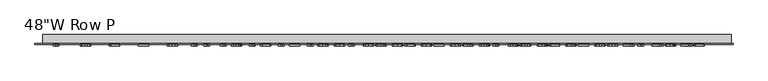
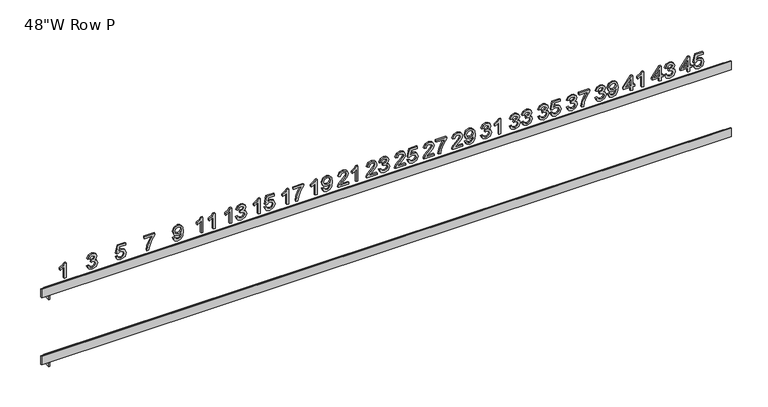
"""IFC4 building model written with IfcOpenShell, lengths in millimetres: furniture geometry."""

from ifc_helpers import new_model, si_unit, frame, origin, place, context, project, spatial, polyline, outline, extrude, faceted_brep, source, transform, mapped, element, save


def furniture_d918bba9(model_context):
    return source(origin(), model_context, "Body", "SolidModel", [
        extrude(outline(polyline([(1577.53812, 502.8912606), (1577.53812, 506.0807484), (1583.5184097, 506.0807484), (1583.5184097, 509.2702363), (1586.7078976, 509.2702363), (1586.7078976, 506.0807484), (1602.6553368, 506.0807484), (1602.6553368, 503.6886326), (1586.7078976, 491.3293671), (1583.5184097, 491.3293671), (1583.5184097, 502.8912606), (1577.53812, 502.8912606)]), holes=[polyline([(1586.7078976, 502.8912606), (1586.7078976, 495.2539323), (1596.5629167, 502.8912606), (1586.7078976, 502.8912606)])]), frame((0.0, -18.25625, 0.0), z_axis=(0.0, 1.0, 0.0), x_axis=(0.0, 0.0, 1.0)), (0.0, 0.0, 1.0), 2.38125),
        extrude(outline(polyline([(1584.3157817, 512.0610382), (1579.1048313, 514.5497108), (1577.139434, 520.1780355), (1580.198103, 526.80619), (1586.1160981, 528.8058494), (1591.9967163, 526.5850438), (1594.2829312, 521.1311442), (1592.4390085, 516.4652723), (1599.4658489, 517.8295259), (1599.4658489, 527.6097914), (1602.6553368, 527.6097914), (1602.6553368, 515.250526), (1589.4986994, 512.4597241), (1589.1000134, 515.649212), (1590.5390207, 517.4401842), (1591.0934434, 520.2403302), (1589.7042719, 524.2801405), (1585.9167551, 525.6163615), (1581.8582564, 524.1898132), (1580.3289219, 520.1904945), (1581.428423, 516.8577289), (1584.7144677, 515.250526), (1584.3157817, 512.0610382)])), frame((0.0, -18.25625, 0.0), z_axis=(0.0, 1.0, 0.0), x_axis=(0.0, 0.0, 1.0)), (0.0, 0.0, 1.0), 2.38125),
        extrude(outline(polyline([(1577.53812, 456.8537606), (1577.53812, 460.0432484), (1583.5184097, 460.0432484), (1583.5184097, 463.2327363), (1586.7078976, 463.2327363), (1586.7078976, 460.0432484), (1602.6553368, 460.0432484), (1602.6553368, 457.6511326), (1586.7078976, 445.2918671), (1583.5184097, 445.2918671), (1583.5184097, 456.8537606), (1577.53812, 456.8537606)]), holes=[polyline([(1586.7078976, 456.8537606), (1586.7078976, 449.2164323), (1596.5629167, 456.8537606), (1586.7078976, 456.8537606)])]), frame((0.0, -18.25625, 0.0), z_axis=(0.0, 1.0, 0.0), x_axis=(0.0, 0.0, 1.0)), (0.0, 0.0, 1.0), 2.38125),
        extrude(outline(polyline([(1584.3157817, 466.0235382), (1579.1390934, 468.5589318), (1577.139434, 474.1529945), (1579.4817142, 480.3263977), (1585.1879073, 482.7683494), (1589.3367332, 481.5473735), (1591.5170472, 478.0713301), (1593.628837, 480.6877069), (1596.5691461, 481.5722914), (1599.7866666, 480.6409859), (1602.1787825, 477.9498555), (1603.0540228, 474.1031587), (1601.2786243, 469.0323714), (1596.2763611, 466.4222241), (1595.8776751, 469.611712), (1598.86782, 471.1753086), (1599.8645349, 474.2152892), (1598.8771642, 477.217893), (1596.3822621, 478.3828036), (1593.5665423, 476.7756007), (1592.6881873, 472.6454631), (1589.4986994, 472.2903834), (1589.8475497, 474.5267626), (1588.542476, 478.1523132), (1585.2439725, 479.5788615), (1581.7430112, 478.1398543), (1580.3289219, 474.2651249), (1581.3567842, 470.9728508), (1584.7144677, 469.213026), (1584.3157817, 466.0235382)])), frame((0.0, -18.25625, 0.0), z_axis=(0.0, 1.0, 0.0), x_axis=(0.0, 0.0, 1.0)), (0.0, 0.0, 1.0), 2.38125),
        extrude(outline(polyline([(1577.53812, 410.8162606), (1577.53812, 414.0057484), (1583.5184097, 414.0057484), (1583.5184097, 417.1952363), (1586.7078976, 417.1952363), (1586.7078976, 414.0057484), (1602.6553368, 414.0057484), (1602.6553368, 411.6136326), (1586.7078976, 399.2543671), (1583.5184097, 399.2543671), (1583.5184097, 410.8162606), (1577.53812, 410.8162606)]), holes=[polyline([(1586.7078976, 410.8162606), (1586.7078976, 403.1789323), (1596.5629167, 410.8162606), (1586.7078976, 410.8162606)])]), frame((0.0, -18.25625, 0.0), z_axis=(0.0, 1.0, 0.0), x_axis=(0.0, 0.0, 1.0)), (0.0, 0.0, 1.0), 2.38125),
        extrude(outline(polyline([(1577.53812, 431.9466176), (1603.0540228, 431.9466176), (1603.0540228, 429.890893), (1599.6589625, 427.0533701), (1596.6750471, 422.378154), (1593.6599844, 422.378154), (1595.2703019, 425.7358375), (1597.4225833, 428.7571297), (1577.53812, 428.7571297), (1577.53812, 431.9466176)])), frame((0.0, -18.25625, 0.0), z_axis=(0.0, 1.0, 0.0), x_axis=(0.0, 0.0, 1.0)), (0.0, 0.0, 1.0), 2.38125),
        extrude(outline(polyline([(1584.3157817, 354.4129251), (1579.1390934, 356.9483187), (1577.139434, 362.5423814), (1579.4817142, 368.7157847), (1585.1879073, 371.1577363), (1589.3367332, 369.9367605), (1591.5170472, 366.4607171), (1593.628837, 369.0770938), (1596.5691461, 369.9616783), (1599.7866666, 369.0303728), (1602.1787825, 366.3392424), (1603.0540228, 362.4925457), (1601.2786243, 357.4217584), (1596.2763611, 354.8116111), (1595.8776751, 358.0010989), (1598.86782, 359.5646955), (1599.8645349, 362.6046761), (1598.8771642, 365.6072799), (1596.3822621, 366.7721905), (1593.5665423, 365.1649876), (1592.6881873, 361.0348501), (1589.4986994, 360.6797704), (1589.8475497, 362.9161495), (1588.542476, 366.5417002), (1585.2439725, 367.9682484), (1581.7430112, 366.5292412), (1580.3289219, 362.6545119), (1581.3567842, 359.3622378), (1584.7144677, 357.6024129), (1584.3157817, 354.4129251)])), frame((0.0, -18.25625, 0.0), z_axis=(0.0, 1.0, 0.0), x_axis=(0.0, 0.0, 1.0)), (0.0, 0.0, 1.0), 2.38125),
        extrude(outline(polyline([(1583.9170957, 374.3472241), (1578.9179473, 376.6334391), (1577.139434, 381.5360307), (1578.6469654, 386.4604255), (1583.0356259, 389.6281102), (1590.7819699, 390.6933494), (1597.9209408, 389.6249955), (1601.7209165, 386.4978023), (1603.0540228, 381.9534051), (1600.7179721, 376.2316383), (1594.5507983, 373.9485382), (1588.5767381, 376.1257374), (1586.3092116, 381.4550476), (1587.2374024, 384.9528942), (1589.0314893, 387.5225499), (1585.331185, 387.0615692), (1582.5590716, 386.0181333), (1580.936295, 384.2676526), (1580.3289219, 381.685538), (1581.2726863, 378.9694897), (1584.3157817, 377.536712), (1583.9170957, 374.3472241)]), holes=[polyline([(1594.625552, 387.5038615), (1590.8598383, 386.0617396), (1589.4986994, 382.3832384), (1590.8598383, 378.5521153), (1594.3950616, 377.138026), (1598.3414299, 378.6330984), (1599.8645349, 382.470451), (1598.4504456, 386.127149), (1594.625552, 387.5038615)])]), frame((0.0, -18.25625, 0.0), z_axis=(0.0, 1.0, 0.0), x_axis=(0.0, 0.0, 1.0)), (0.0, 0.0, 1.0), 2.38125),
        extrude(outline(polyline([(1584.3157817, 308.3754251), (1579.1390934, 310.9108187), (1577.139434, 316.5048814), (1579.4817142, 322.6782847), (1585.1879073, 325.1202363), (1589.3367332, 323.8992605), (1591.5170472, 320.4232171), (1593.628837, 323.0395938), (1596.5691461, 323.9241783), (1599.7866666, 322.9928728), (1602.1787825, 320.3017424), (1603.0540228, 316.4550457), (1601.2786243, 311.3842584), (1596.2763611, 308.7741111), (1595.8776751, 311.9635989), (1598.86782, 313.5271955), (1599.8645349, 316.5671761), (1598.8771642, 319.5697799), (1596.3822621, 320.7346905), (1593.5665423, 319.1274876), (1592.6881873, 314.9973501), (1589.4986994, 314.6422704), (1589.8475497, 316.8786495), (1588.542476, 320.5042002), (1585.2439725, 321.9307484), (1581.7430112, 320.4917412), (1580.3289219, 316.6170119), (1581.3567842, 313.3247378), (1584.7144677, 311.5649129), (1584.3157817, 308.3754251)])), frame((0.0, -18.25625, 0.0), z_axis=(0.0, 1.0, 0.0), x_axis=(0.0, 0.0, 1.0)), (0.0, 0.0, 1.0), 2.38125),
        extrude(outline(polyline([(1599.4658489, 327.9110382), (1599.4658489, 341.4663615), (1592.8657271, 336.6447529), (1584.7331561, 333.1655948), (1577.53812, 331.897898), (1577.53812, 335.0873858), (1584.4715184, 336.2709848), (1593.2145774, 339.9058797), (1600.0763369, 344.6558494), (1602.6553368, 344.6558494), (1602.6553368, 327.9110382), (1599.4658489, 327.9110382)])), frame((0.0, -18.25625, 0.0), z_axis=(0.0, 1.0, 0.0), x_axis=(0.0, 0.0, 1.0)), (0.0, 0.0, 1.0), 2.38125),
        extrude(outline(polyline([(1584.3157817, 262.3379251), (1579.1390934, 264.8733187), (1577.139434, 270.4673814), (1579.4817142, 276.6407847), (1585.1879073, 279.0827363), (1589.3367332, 277.8617605), (1591.5170472, 274.3857171), (1593.628837, 277.0020938), (1596.5691461, 277.8866783), (1599.7866666, 276.9553728), (1602.1787825, 274.2642424), (1603.0540228, 270.4175457), (1601.2786243, 265.3467584), (1596.2763611, 262.7366111), (1595.8776751, 265.9260989), (1598.86782, 267.4896955), (1599.8645349, 270.5296761), (1598.8771642, 273.5322799), (1596.3822621, 274.6971905), (1593.5665423, 273.0899876), (1592.6881873, 268.9598501), (1589.4986994, 268.6047704), (1589.8475497, 270.8411495), (1588.542476, 274.4667002), (1585.2439725, 275.8932484), (1581.7430112, 274.4542412), (1580.3289219, 270.5795119), (1581.3567842, 267.2872378), (1584.7144677, 265.5274129), (1584.3157817, 262.3379251)])), frame((0.0, -18.25625, 0.0), z_axis=(0.0, 1.0, 0.0), x_axis=(0.0, 0.0, 1.0)), (0.0, 0.0, 1.0), 2.38125),
        extrude(outline(polyline([(1584.3157817, 281.8735382), (1579.1048313, 284.3622108), (1577.139434, 289.9905355), (1580.198103, 296.61869), (1586.1160981, 298.6183494), (1591.9967163, 296.3975438), (1594.2829312, 290.9436442), (1592.4390085, 286.2777723), (1599.4658489, 287.6420259), (1599.4658489, 297.4222914), (1602.6553368, 297.4222914), (1602.6553368, 285.063026), (1589.4986994, 282.2722241), (1589.1000134, 285.461712), (1590.5390207, 287.2526842), (1591.0934434, 290.0528302), (1589.7042719, 294.0926405), (1585.9167551, 295.4288615), (1581.8582564, 294.0023132), (1580.3289219, 290.0029945), (1581.428423, 286.6702289), (1584.7144677, 285.063026), (1584.3157817, 281.8735382)])), frame((0.0, -18.25625, 0.0), z_axis=(0.0, 1.0, 0.0), x_axis=(0.0, 0.0, 1.0)), (0.0, 0.0, 1.0), 2.38125),
        extrude(outline(polyline([(1584.3157817, 216.3004251), (1579.1390934, 218.8358187), (1577.139434, 224.4298814), (1579.4817142, 230.6032847), (1585.1879073, 233.0452363), (1589.3367332, 231.8242605), (1591.5170472, 228.3482171), (1593.628837, 230.9645938), (1596.5691461, 231.8491783), (1599.7866666, 230.9178728), (1602.1787825, 228.2267424), (1603.0540228, 224.3800457), (1601.2786243, 219.3092584), (1596.2763611, 216.6991111), (1595.8776751, 219.8885989), (1598.86782, 221.4521955), (1599.8645349, 224.4921761), (1598.8771642, 227.4947799), (1596.3822621, 228.6596905), (1593.5665423, 227.0524876), (1592.6881873, 222.9223501), (1589.4986994, 222.5672704), (1589.8475497, 224.8036495), (1588.542476, 228.4292002), (1585.2439725, 229.8557484), (1581.7430112, 228.4167412), (1580.3289219, 224.5420119), (1581.3567842, 221.2497378), (1584.7144677, 219.4899129), (1584.3157817, 216.3004251)])), frame((0.0, -18.25625, 0.0), z_axis=(0.0, 1.0, 0.0), x_axis=(0.0, 0.0, 1.0)), (0.0, 0.0, 1.0), 2.38125),
        extrude(outline(polyline([(1584.3157817, 235.8360382), (1579.1390934, 238.3714318), (1577.139434, 243.9654945), (1579.4817142, 250.1388977), (1585.1879073, 252.5808494), (1589.3367332, 251.3598735), (1591.5170472, 247.8838301), (1593.628837, 250.5002069), (1596.5691461, 251.3847914), (1599.7866666, 250.4534859), (1602.1787825, 247.7623555), (1603.0540228, 243.9156587), (1601.2786243, 238.8448714), (1596.2763611, 236.2347241), (1595.8776751, 239.424212), (1598.86782, 240.9878086), (1599.8645349, 244.0277892), (1598.8771642, 247.030393), (1596.3822621, 248.1953036), (1593.5665423, 246.5881007), (1592.6881873, 242.4579631), (1589.4986994, 242.1028834), (1589.8475497, 244.3392626), (1588.542476, 247.9648132), (1585.2439725, 249.3913615), (1581.7430112, 247.9523543), (1580.3289219, 244.0776249), (1581.3567842, 240.7853508), (1584.7144677, 239.025526), (1584.3157817, 235.8360382)])), frame((0.0, -18.25625, 0.0), z_axis=(0.0, 1.0, 0.0), x_axis=(0.0, 0.0, 1.0)), (0.0, 0.0, 1.0), 2.38125),
        extrude(outline(polyline([(1584.3157817, 170.2629251), (1579.1390934, 172.7983187), (1577.139434, 178.3923814), (1579.4817142, 184.5657847), (1585.1879073, 187.0077363), (1589.3367332, 185.7867605), (1591.5170472, 182.3107171), (1593.628837, 184.9270938), (1596.5691461, 185.8116783), (1599.7866666, 184.8803728), (1602.1787825, 182.1892424), (1603.0540228, 178.3425457), (1601.2786243, 173.2717584), (1596.2763611, 170.6616111), (1595.8776751, 173.8510989), (1598.86782, 175.4146955), (1599.8645349, 178.4546761), (1598.8771642, 181.4572799), (1596.3822621, 182.6221905), (1593.5665423, 181.0149876), (1592.6881873, 176.8848501), (1589.4986994, 176.5297704), (1589.8475497, 178.7661495), (1588.542476, 182.3917002), (1585.2439725, 183.8182484), (1581.7430112, 182.3792412), (1580.3289219, 178.5045119), (1581.3567842, 175.2122378), (1584.7144677, 173.4524129), (1584.3157817, 170.2629251)])), frame((0.0, -18.25625, 0.0), z_axis=(0.0, 1.0, 0.0), x_axis=(0.0, 0.0, 1.0)), (0.0, 0.0, 1.0), 2.38125),
        extrude(outline(polyline([(1577.53812, 201.7591176), (1603.0540228, 201.7591176), (1603.0540228, 199.703393), (1599.6589625, 196.8658701), (1596.6750471, 192.190654), (1593.6599844, 192.190654), (1595.2703019, 195.5483375), (1597.4225833, 198.5696297), (1577.53812, 198.5696297), (1577.53812, 201.7591176)])), frame((0.0, -18.25625, 0.0), z_axis=(0.0, 1.0, 0.0), x_axis=(0.0, 0.0, 1.0)), (0.0, 0.0, 1.0), 2.38125),
        extrude(outline(polyline([(1580.7276078, 140.5715503), (1580.7276078, 128.0440893), (1582.3503844, 129.4830965), (1585.4183976, 133.1522534), (1589.7883697, 137.7215685), (1592.9155629, 139.6059827), (1595.9399698, 140.1728643), (1601.0107571, 138.0704187), (1603.0540228, 132.3611109), (1601.2163296, 126.6704915), (1595.8776751, 124.2254251), (1595.4789891, 127.4149129), (1598.6996243, 128.7573634), (1599.8645349, 132.2925867), (1598.6715917, 135.6845323), (1595.7468563, 136.9833765), (1592.1337646, 135.606664), (1586.820028, 130.0998138), (1583.1228385, 126.1067246), (1579.7371224, 124.1693599), (1577.53812, 123.8267391), (1577.53812, 140.5715503), (1580.7276078, 140.5715503)])), frame((0.0, -18.25625, 0.0), z_axis=(0.0, 1.0, 0.0), x_axis=(0.0, 0.0, 1.0)), (0.0, 0.0, 1.0), 2.38125),
        extrude(outline(polyline([(1583.9170957, 144.1597241), (1578.9179473, 146.4459391), (1577.139434, 151.3485307), (1578.6469654, 156.2729255), (1583.0356259, 159.4406102), (1590.7819699, 160.5058494), (1597.9209408, 159.4374955), (1601.7209165, 156.3103023), (1603.0540228, 151.7659051), (1600.7179721, 146.0441383), (1594.5507983, 143.7610382), (1588.5767381, 145.9382374), (1586.3092116, 151.2675476), (1587.2374024, 154.7653942), (1589.0314893, 157.3350499), (1585.331185, 156.8740692), (1582.5590716, 155.8306333), (1580.936295, 154.0801526), (1580.3289219, 151.498038), (1581.2726863, 148.7819897), (1584.3157817, 147.349212), (1583.9170957, 144.1597241)]), holes=[polyline([(1594.625552, 157.3163615), (1590.8598383, 155.8742396), (1589.4986994, 152.1957384), (1590.8598383, 148.3646153), (1594.3950616, 146.950526), (1598.3414299, 148.4455984), (1599.8645349, 152.282951), (1598.4504456, 155.939649), (1594.625552, 157.3163615)])]), frame((0.0, -18.25625, 0.0), z_axis=(0.0, 1.0, 0.0), x_axis=(0.0, 0.0, 1.0)), (0.0, 0.0, 1.0), 2.38125),
        extrude(outline(polyline([(1580.7276078, 94.5340503), (1580.7276078, 82.0065893), (1582.3503844, 83.4455965), (1585.4183976, 87.1147534), (1589.7883697, 91.6840685), (1592.9155629, 93.5684827), (1595.9399698, 94.1353643), (1601.0107571, 92.0329187), (1603.0540228, 86.3236109), (1601.2163296, 80.6329915), (1595.8776751, 78.1879251), (1595.4789891, 81.3774129), (1598.6996243, 82.7198634), (1599.8645349, 86.2550867), (1598.6715917, 89.6470323), (1595.7468563, 90.9458765), (1592.1337646, 89.569164), (1586.820028, 84.0623138), (1583.1228385, 80.0692246), (1579.7371224, 78.1318599), (1577.53812, 77.7892391), (1577.53812, 94.5340503), (1580.7276078, 94.5340503)])), frame((0.0, -18.25625, 0.0), z_axis=(0.0, 1.0, 0.0), x_axis=(0.0, 0.0, 1.0)), (0.0, 0.0, 1.0), 2.38125),
        extrude(outline(polyline([(1599.4658489, 97.7235382), (1599.4658489, 111.2788615), (1592.8657271, 106.4572529), (1584.7331561, 102.9780948), (1577.53812, 101.710398), (1577.53812, 104.8998858), (1584.4715184, 106.0834848), (1593.2145774, 109.7183797), (1600.0763369, 114.4683494), (1602.6553368, 114.4683494), (1602.6553368, 97.7235382), (1599.4658489, 97.7235382)])), frame((0.0, -18.25625, 0.0), z_axis=(0.0, 1.0, 0.0), x_axis=(0.0, 0.0, 1.0)), (0.0, 0.0, 1.0), 2.38125),
        extrude(outline(polyline([(1580.7276078, 48.4965503), (1580.7276078, 35.9690893), (1582.3503844, 37.4080965), (1585.4183976, 41.0772534), (1589.7883697, 45.6465685), (1592.9155629, 47.5309827), (1595.9399698, 48.0978643), (1601.0107571, 45.9954187), (1603.0540228, 40.2861109), (1601.2163296, 34.5954915), (1595.8776751, 32.1504251), (1595.4789891, 35.3399129), (1598.6996243, 36.6823634), (1599.8645349, 40.2175867), (1598.6715917, 43.6095323), (1595.7468563, 44.9083765), (1592.1337646, 43.531664), (1586.820028, 38.0248138), (1583.1228385, 34.0317246), (1579.7371224, 32.0943599), (1577.53812, 31.7517391), (1577.53812, 48.4965503), (1580.7276078, 48.4965503)])), frame((0.0, -18.25625, 0.0), z_axis=(0.0, 1.0, 0.0), x_axis=(0.0, 0.0, 1.0)), (0.0, 0.0, 1.0), 2.38125),
        extrude(outline(polyline([(1584.3157817, 51.6860382), (1579.1048313, 54.1747108), (1577.139434, 59.8030355), (1580.198103, 66.43119), (1586.1160981, 68.4308494), (1591.9967163, 66.2100438), (1594.2829312, 60.7561442), (1592.4390085, 56.0902723), (1599.4658489, 57.4545259), (1599.4658489, 67.2347914), (1602.6553368, 67.2347914), (1602.6553368, 54.875526), (1589.4986994, 52.0847241), (1589.1000134, 55.274212), (1590.5390207, 57.0651842), (1591.0934434, 59.8653302), (1589.7042719, 63.9051405), (1585.9167551, 65.2413615), (1581.8582564, 63.8148132), (1580.3289219, 59.8154945), (1581.428423, 56.4827289), (1584.7144677, 54.875526), (1584.3157817, 51.6860382)])), frame((0.0, -18.25625, 0.0), z_axis=(0.0, 1.0, 0.0), x_axis=(0.0, 0.0, 1.0)), (0.0, 0.0, 1.0), 2.38125),
        extrude(outline(polyline([(1580.7276078, 2.4590503), (1580.7276078, -10.0684107), (1582.3503844, -8.6294035), (1585.4183976, -4.9602466), (1589.7883697, -0.3909315), (1592.9155629, 1.4934827), (1595.9399698, 2.0603643), (1601.0107571, -0.0420813), (1603.0540228, -5.7513891), (1601.2163296, -11.4420085), (1595.8776751, -13.8870749), (1595.4789891, -10.6975871), (1598.6996243, -9.3551366), (1599.8645349, -5.8199133), (1598.6715917, -2.4279677), (1595.7468563, -1.1291235), (1592.1337646, -2.505836), (1586.820028, -8.0126862), (1583.1228385, -12.0057754), (1579.7371224, -13.9431401), (1577.53812, -14.2857609), (1577.53812, 2.4590503), (1580.7276078, 2.4590503)])), frame((0.0, -18.25625, 0.0), z_axis=(0.0, 1.0, 0.0), x_axis=(0.0, 0.0, 1.0)), (0.0, 0.0, 1.0), 2.38125),
        extrude(outline(polyline([(1584.3157817, 5.6485382), (1579.1390934, 8.1839318), (1577.139434, 13.7779945), (1579.4817142, 19.9513977), (1585.1879073, 22.3933494), (1589.3367332, 21.1723735), (1591.5170472, 17.6963301), (1593.628837, 20.3127069), (1596.5691461, 21.1972914), (1599.7866666, 20.2659859), (1602.1787825, 17.5748555), (1603.0540228, 13.7281587), (1601.2786243, 8.6573714), (1596.2763611, 6.0472241), (1595.8776751, 9.236712), (1598.86782, 10.8003086), (1599.8645349, 13.8402892), (1598.8771642, 16.842893), (1596.3822621, 18.0078036), (1593.5665423, 16.4006007), (1592.6881873, 12.2704631), (1589.4986994, 11.9153834), (1589.8475497, 14.1517626), (1588.542476, 17.7773132), (1585.2439725, 19.2038615), (1581.7430112, 17.7648543), (1580.3289219, 13.8901249), (1581.3567842, 10.5978508), (1584.7144677, 8.838026), (1584.3157817, 5.6485382)])), frame((0.0, -18.25625, 0.0), z_axis=(0.0, 1.0, 0.0), x_axis=(0.0, 0.0, 1.0)), (0.0, 0.0, 1.0), 2.38125),
        extrude(outline(polyline([(1580.7276078, -43.5784497), (1580.7276078, -56.1059107), (1582.3503844, -54.6669035), (1585.4183976, -50.9977466), (1589.7883697, -46.4284315), (1592.9155629, -44.5440173), (1595.9399698, -43.9771357), (1601.0107571, -46.0795813), (1603.0540228, -51.7888891), (1601.2163296, -57.4795085), (1595.8776751, -59.9245749), (1595.4789891, -56.7350871), (1598.6996243, -55.3926366), (1599.8645349, -51.8574133), (1598.6715917, -48.4654677), (1595.7468563, -47.1666235), (1592.1337646, -48.543336), (1586.820028, -54.0501862), (1583.1228385, -58.0432754), (1579.7371224, -59.9806401), (1577.53812, -60.3232609), (1577.53812, -43.5784497), (1580.7276078, -43.5784497)])), frame((0.0, -18.25625, 0.0), z_axis=(0.0, 1.0, 0.0), x_axis=(0.0, 0.0, 1.0)), (0.0, 0.0, 1.0), 2.38125),
        extrude(outline(polyline([(1577.53812, -28.4283824), (1603.0540228, -28.4283824), (1603.0540228, -30.484107), (1599.6589625, -33.3216299), (1596.6750471, -37.996846), (1593.6599844, -37.996846), (1595.2703019, -34.6391625), (1597.4225833, -31.6178703), (1577.53812, -31.6178703), (1577.53812, -28.4283824)])), frame((0.0, -18.25625, 0.0), z_axis=(0.0, 1.0, 0.0), x_axis=(0.0, 0.0, 1.0)), (0.0, 0.0, 1.0), 2.38125),
        extrude(outline(polyline([(1577.53812, -94.0014955), (1603.0540228, -94.0014955), (1603.0540228, -96.0572201), (1599.6589625, -98.894743), (1596.6750471, -103.569959), (1593.6599844, -103.569959), (1595.2703019, -100.2122755), (1597.4225833, -97.1909833), (1577.53812, -97.1909833), (1577.53812, -94.0014955)])), frame((0.0, -18.25625, 0.0), z_axis=(0.0, 1.0, 0.0), x_axis=(0.0, 0.0, 1.0)), (0.0, 0.0, 1.0), 2.38125),
        extrude(outline(polyline([(1583.9170957, -86.0277759), (1578.9179473, -83.7415609), (1577.139434, -78.8389693), (1578.6469654, -73.9145745), (1583.0356259, -70.7468898), (1590.7819699, -69.6816506), (1597.9209408, -70.7500045), (1601.7209165, -73.8771977), (1603.0540228, -78.4215949), (1600.7179721, -84.1433617), (1594.5507983, -86.4264618), (1588.5767381, -84.2492626), (1586.3092116, -78.9199524), (1587.2374024, -75.4221058), (1589.0314893, -72.8524501), (1585.331185, -73.3134308), (1582.5590716, -74.3568667), (1580.936295, -76.1073474), (1580.3289219, -78.689462), (1581.2726863, -81.4055103), (1584.3157817, -82.838288), (1583.9170957, -86.0277759)]), holes=[polyline([(1594.625552, -72.8711385), (1590.8598383, -74.3132604), (1589.4986994, -77.9917616), (1590.8598383, -81.8228847), (1594.3950616, -83.236974), (1598.3414299, -81.7419016), (1599.8645349, -77.904549), (1598.4504456, -74.247851), (1594.625552, -72.8711385)])]), frame((0.0, -18.25625, 0.0), z_axis=(0.0, 1.0, 0.0), x_axis=(0.0, 0.0, 1.0)), (0.0, 0.0, 1.0), 2.38125),
        extrude(outline(polyline([(1577.53812, -140.0389955), (1603.0540228, -140.0389955), (1603.0540228, -142.0947201), (1599.6589625, -144.932243), (1596.6750471, -149.607459), (1593.6599844, -149.607459), (1595.2703019, -146.2497755), (1597.4225833, -143.2284833), (1577.53812, -143.2284833), (1577.53812, -140.0389955)])), frame((0.0, -18.25625, 0.0), z_axis=(0.0, 1.0, 0.0), x_axis=(0.0, 0.0, 1.0)), (0.0, 0.0, 1.0), 2.38125),
        extrude(outline(polyline([(1599.4658489, -132.4639618), (1599.4658489, -118.9086385), (1592.8657271, -123.7302471), (1584.7331561, -127.2094052), (1577.53812, -128.477102), (1577.53812, -125.2876142), (1584.4715184, -124.1040152), (1593.2145774, -120.4691203), (1600.0763369, -115.7191506), (1602.6553368, -115.7191506), (1602.6553368, -132.4639618), (1599.4658489, -132.4639618)])), frame((0.0, -18.25625, 0.0), z_axis=(0.0, 1.0, 0.0), x_axis=(0.0, 0.0, 1.0)), (0.0, 0.0, 1.0), 2.38125),
        extrude(outline(polyline([(1577.53812, -186.0764955), (1603.0540228, -186.0764955), (1603.0540228, -188.1322201), (1599.6589625, -190.969743), (1596.6750471, -195.644959), (1593.6599844, -195.644959), (1595.2703019, -192.2872755), (1597.4225833, -189.2659833), (1577.53812, -189.2659833), (1577.53812, -186.0764955)])), frame((0.0, -18.25625, 0.0), z_axis=(0.0, 1.0, 0.0), x_axis=(0.0, 0.0, 1.0)), (0.0, 0.0, 1.0), 2.38125),
        extrude(outline(polyline([(1584.3157817, -178.5014618), (1579.1048313, -176.0127892), (1577.139434, -170.3844645), (1580.198103, -163.75631), (1586.1160981, -161.7566506), (1591.9967163, -163.9774562), (1594.2829312, -169.4313558), (1592.4390085, -174.0972277), (1599.4658489, -172.7329741), (1599.4658489, -162.9527086), (1602.6553368, -162.9527086), (1602.6553368, -175.311974), (1589.4986994, -178.1027759), (1589.1000134, -174.913288), (1590.5390207, -173.1223158), (1591.0934434, -170.3221698), (1589.7042719, -166.2823595), (1585.9167551, -164.9461385), (1581.8582564, -166.3726868), (1580.3289219, -170.3720055), (1581.428423, -173.7047711), (1584.7144677, -175.311974), (1584.3157817, -178.5014618)])), frame((0.0, -18.25625, 0.0), z_axis=(0.0, 1.0, 0.0), x_axis=(0.0, 0.0, 1.0)), (0.0, 0.0, 1.0), 2.38125),
        extrude(outline(polyline([(1577.53812, -232.1139955), (1603.0540228, -232.1139955), (1603.0540228, -234.1697201), (1599.6589625, -237.007243), (1596.6750471, -241.682459), (1593.6599844, -241.682459), (1595.2703019, -238.3247755), (1597.4225833, -235.3034833), (1577.53812, -235.3034833), (1577.53812, -232.1139955)])), frame((0.0, -18.25625, 0.0), z_axis=(0.0, 1.0, 0.0), x_axis=(0.0, 0.0, 1.0)), (0.0, 0.0, 1.0), 2.38125),
        extrude(outline(polyline([(1584.3157817, -224.5389618), (1579.1390934, -222.0035682), (1577.139434, -216.4095055), (1579.4817142, -210.2361023), (1585.1879073, -207.7941506), (1589.3367332, -209.0151265), (1591.5170472, -212.4911699), (1593.628837, -209.8747931), (1596.5691461, -208.9902086), (1599.7866666, -209.9215141), (1602.1787825, -212.6126445), (1603.0540228, -216.4593413), (1601.2786243, -221.5301286), (1596.2763611, -224.1402759), (1595.8776751, -220.950788), (1598.86782, -219.3871914), (1599.8645349, -216.3472108), (1598.8771642, -213.344607), (1596.3822621, -212.1796964), (1593.5665423, -213.7868993), (1592.6881873, -217.9170369), (1589.4986994, -218.2721166), (1589.8475497, -216.0357374), (1588.542476, -212.4101868), (1585.2439725, -210.9836385), (1581.7430112, -212.4226457), (1580.3289219, -216.2973751), (1581.3567842, -219.5896492), (1584.7144677, -221.349474), (1584.3157817, -224.5389618)])), frame((0.0, -18.25625, 0.0), z_axis=(0.0, 1.0, 0.0), x_axis=(0.0, 0.0, 1.0)), (0.0, 0.0, 1.0), 2.38125),
        extrude(outline(polyline([(1577.53812, -278.1514955), (1603.0540228, -278.1514955), (1603.0540228, -280.2072201), (1599.6589625, -283.044743), (1596.6750471, -287.719959), (1593.6599844, -287.719959), (1595.2703019, -284.3622755), (1597.4225833, -281.3409833), (1577.53812, -281.3409833), (1577.53812, -278.1514955)])), frame((0.0, -18.25625, 0.0), z_axis=(0.0, 1.0, 0.0), x_axis=(0.0, 0.0, 1.0)), (0.0, 0.0, 1.0), 2.38125),
        extrude(outline(polyline([(1577.53812, -258.6158824), (1603.0540228, -258.6158824), (1603.0540228, -260.671607), (1599.6589625, -263.5091299), (1596.6750471, -268.184346), (1593.6599844, -268.184346), (1595.2703019, -264.8266625), (1597.4225833, -261.8053703), (1577.53812, -261.8053703), (1577.53812, -258.6158824)])), frame((0.0, -18.25625, 0.0), z_axis=(0.0, 1.0, 0.0), x_axis=(0.0, 0.0, 1.0)), (0.0, 0.0, 1.0), 2.38125),
        extrude(outline(polyline([(1583.9170957, -325.9830824), (1578.9179473, -323.6968675), (1577.139434, -318.7942758), (1578.6469654, -313.869881), (1583.0356259, -310.7021963), (1590.7819699, -309.6369572), (1597.9209408, -310.705311), (1601.7209165, -313.8325042), (1603.0540228, -318.3769014), (1600.7179721, -324.0986682), (1594.5507983, -326.3817684), (1588.5767381, -324.2045692), (1586.3092116, -318.8752589), (1587.2374024, -315.3774124), (1589.0314893, -312.8077566), (1585.331185, -313.2687373), (1582.5590716, -314.3121733), (1580.936295, -316.0626539), (1580.3289219, -318.6447686), (1581.2726863, -321.3608168), (1584.3157817, -322.7935946), (1583.9170957, -325.9830824)]), holes=[polyline([(1594.625552, -312.826445), (1590.8598383, -314.268567), (1589.4986994, -317.9470681), (1590.8598383, -321.7781912), (1594.3950616, -323.1922805), (1598.3414299, -321.6972081), (1599.8645349, -317.8598555), (1598.4504456, -314.2031576), (1594.625552, -312.826445)])]), frame((0.0, -18.25625, 0.0), z_axis=(0.0, 1.0, 0.0), x_axis=(0.0, 0.0, 1.0)), (0.0, 0.0, 1.0), 2.38125),
        extrude(outline(polyline([(1599.4658489, -372.4192684), (1599.4658489, -358.863945), (1592.8657271, -363.6855536), (1584.7331561, -367.1647117), (1577.53812, -368.4324086), (1577.53812, -365.2429207), (1584.4715184, -364.0593217), (1593.2145774, -360.4244269), (1600.0763369, -355.6744572), (1602.6553368, -355.6744572), (1602.6553368, -372.4192684), (1599.4658489, -372.4192684)])), frame((0.0, -18.25625, 0.0), z_axis=(0.0, 1.0, 0.0), x_axis=(0.0, 0.0, 1.0)), (0.0, 0.0, 1.0), 2.38125),
        extrude(outline(polyline([(1584.3157817, -418.4567684), (1579.1048313, -415.9680957), (1577.139434, -410.339771), (1580.198103, -403.7116166), (1586.1160981, -401.7119572), (1591.9967163, -403.9327627), (1594.2829312, -409.3866623), (1592.4390085, -414.0525342), (1599.4658489, -412.6882806), (1599.4658489, -402.9080151), (1602.6553368, -402.9080151), (1602.6553368, -415.2672805), (1589.4986994, -418.0580824), (1589.1000134, -414.8685946), (1590.5390207, -413.0776224), (1591.0934434, -410.2774763), (1589.7042719, -406.237666), (1585.9167551, -404.901445), (1581.8582564, -406.3279933), (1580.3289219, -410.327312), (1581.428423, -413.6600777), (1584.7144677, -415.2672805), (1584.3157817, -418.4567684)])), frame((0.0, -18.25625, 0.0), z_axis=(0.0, 1.0, 0.0), x_axis=(0.0, 0.0, 1.0)), (0.0, 0.0, 1.0), 2.38125),
        extrude(outline(polyline([(1584.3157817, -464.4942684), (1579.1390934, -461.9588747), (1577.139434, -456.364812), (1579.4817142, -450.1914088), (1585.1879073, -447.7494572), (1589.3367332, -448.970433), (1591.5170472, -452.4464764), (1593.628837, -449.8300996), (1596.5691461, -448.9455151), (1599.7866666, -449.8768207), (1602.1787825, -452.567951), (1603.0540228, -456.4146478), (1601.2786243, -461.4854351), (1596.2763611, -464.0955824), (1595.8776751, -460.9060946), (1598.86782, -459.342498), (1599.8645349, -456.3025174), (1598.8771642, -453.2999136), (1596.3822621, -452.135003), (1593.5665423, -453.7422058), (1592.6881873, -457.8723434), (1589.4986994, -458.2274231), (1589.8475497, -455.9910439), (1588.542476, -452.3654933), (1585.2439725, -450.938945), (1581.7430112, -452.3779522), (1580.3289219, -456.2526816), (1581.3567842, -459.5449557), (1584.7144677, -461.3047805), (1584.3157817, -464.4942684)])), frame((0.0, -18.25625, 0.0), z_axis=(0.0, 1.0, 0.0), x_axis=(0.0, 0.0, 1.0)), (0.0, 0.0, 1.0), 2.38125),
        extrude(outline(polyline([(1577.53812, -498.6463981), (1602.5473508, -498.6463981), (1602.5473508, -500.6613019), (1599.2197065, -503.4424798), (1596.2950431, -508.0248596), (1593.3398508, -508.0248596), (1594.9181921, -504.73385), (1597.0277354, -501.7725519), (1577.53812, -501.7725519), (1577.53812, -498.6463981)])), frame((0.0, -18.25625, 0.0), z_axis=(0.0, 1.0, 0.0), x_axis=(0.0, 0.0, 1.0)), (0.0, 0.0, 1.0), 2.38125),
        faceted_brep([(-524.1873583, -13.9699322, 1431.4428762), (-522.2823681, -13.9699322, 1431.4428762), (-522.2823681, -13.9699322, 1440.7343603), (-524.1873583, -13.9699322, 1440.7343603), (-524.1873583, 0.0, 1431.4428762), (-524.1873583, 0.0, 1444.1434394), (571.1822789, 0.0, 1444.1434394), (571.1822789, 0.0, 1440.7343603), (-522.2823681, 0.0, 1440.7343603), (-522.2823681, 0.0, 1431.4428762), (571.1822789, -13.9699322, 1440.7343603), (574.3627049, -13.9699322, 1440.7343603), (574.3627049, -15.875, 1440.7343603), (-536.8872951, -15.875, 1440.7343603), (-536.8872951, -13.9699322, 1440.7343603), (571.1822789, -13.9699322, 1444.1434394), (-524.1873583, -13.9699322, 1444.1434394), (-536.8872951, -15.875, 1454.9582832), (-536.8872951, -13.9699322, 1454.9582832), (574.3627049, -15.875, 1454.9582832), (574.3627049, -13.9699322, 1454.9582832)], [[[0, 1, 2, 3]], [[4, 5, 6, 7, 8, 9]], [[1, 0, 4, 9]], [[2, 1, 9, 8]], [[8, 7, 10, 11, 12, 13, 14, 3, 2]], [[7, 6, 15, 10]], [[6, 5, 16, 15]], [[5, 4, 0, 3, 16]], [[17, 18, 14, 13]], [[19, 12, 11, 20]], [[18, 17, 19, 20]], [[14, 18, 20, 11, 10, 15, 16, 3]], [[17, 13, 12, 19]]]),
        faceted_brep([(-524.1873583, -13.9699322, 1545.7628367), (-522.2823681, -13.9699322, 1545.7628367), (-522.2823681, -13.9699322, 1555.0337903), (-524.1873583, -13.9699322, 1555.0337903), (-524.1873583, 0.0, 1545.7628367), (-524.1873583, 0.0, 1558.4627734), (571.1822789, 0.0, 1558.4627734), (571.1822789, 0.0, 1555.0337903), (-522.2823681, 0.0, 1555.0337903), (-522.2823681, 0.0, 1545.7628367), (571.1822789, -13.9699322, 1555.0337903), (574.3627049, -13.9699322, 1555.0337903), (574.3627049, -15.875, 1555.0337903), (-536.8872951, -15.875, 1555.0337903), (-536.8872951, -13.9699322, 1555.0337903), (571.1822789, -13.9699322, 1558.4627734), (-524.1873583, -13.9699322, 1558.4627734), (-536.8872951, -15.875, 1569.25772), (-536.8872951, -13.9699322, 1569.25772), (574.3627049, -13.9699322, 1569.25772), (574.3627049, -15.875, 1569.25772)], [[[0, 1, 2, 3]], [[4, 5, 6, 7, 8, 9]], [[1, 0, 4, 9]], [[2, 1, 9, 8]], [[8, 7, 10, 11, 12, 13, 14, 3, 2]], [[7, 6, 15, 10]], [[6, 5, 16, 15]], [[5, 4, 0, 3, 16]], [[14, 13, 17, 18]], [[11, 19, 20, 12]], [[17, 13, 12, 20]], [[18, 17, 20, 19]], [[14, 18, 19, 11, 10, 15, 16, 3]]]),
    ])


if __name__ == "__main__":
    model = new_model("IFC4")
    model_context = context("Model", 3, world=origin())
    ifc_project = project(units=[si_unit("LENGTHUNIT", "METRE", prefix="MILLI")], contexts=[model_context])
    site = spatial("IfcSite", under=ifc_project)
    building = spatial("IfcBuilding", under=site)
    placement = place(None, origin())
    furniture_shape = furniture_d918bba9(model_context)
    element("IfcFurniture", 1, ObjectType="48\"W Row P", at=placement, inside=building, context=model_context, shape_type="MappedRepresentation", body=[
        mapped(furniture_shape, transform((0.0, 0.0, 0.0), x_axis=(1.0, 0.0, 0.0), y_axis=(0.0, 1.0, 0.0), z_axis=(0.0, 0.0, 1.0))),
    ])
    save(model, "model.ifc")
